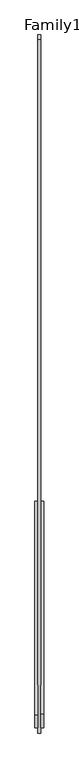
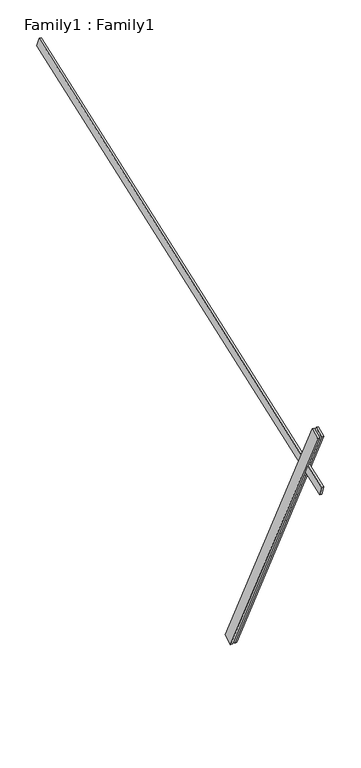
"""IFC4 building model written with IfcOpenShell, lengths in millimetres: proxy geometry, Family1 : Family1."""

from ifc_helpers import new_model, si_unit, frame, origin, place, context, project, spatial, polyline, outline, extrude, source, transform, mapped, element, save


def family1_family1_eeb59fa7(model_context):
    return source(origin(), model_context, "Body", "SweptSolid", [
        extrude(outline(polyline([(0.0, 0.0), (-100.0000001, 0.0), (-100.0000001, 20.0), (0.0, 20.0), (0.0, 0.0)])), frame((-30.0, -46.3241747, -22.5938096), z_axis=(0.0, -0.4383711467890692, 0.8987940462991711), x_axis=(0.0, -0.8987940462991711, -0.4383711467890692)), (0.0, 0.0, 1.0), 3300.0),
        extrude(outline(polyline([(0.0, 0.0), (-99.9999999, 0.0), (-99.9999999, 20.0), (0.0, 20.0), (0.0, 0.0)])), frame((10.0, -45.270232, -22.0797674), z_axis=(0.0, -0.4383711467890692, 0.8987940462991711), x_axis=(0.0, -0.8987940462991711, -0.4383711467890692)), (0.0, 0.0, 1.0), 3300.0),
        extrude(outline(polyline([(0.0, 20.0), (5000.0000001, 20.0), (5000.0000001, 0.0), (0.0, 0.0), (0.0, 20.0)])), frame((-10.0, 3204.584355, 4076.5390966), z_axis=(0.0, -0.34202014332567077, 0.9396926207859077), x_axis=(0.0, -0.9396926207859077, -0.34202014332567077)), (0.0, 0.0, 1.0), 100.0),
    ])


if __name__ == "__main__":
    model = new_model("IFC4")
    model_context = context("Model", 3, world=origin())
    ifc_project = project(units=[si_unit("LENGTHUNIT", "METRE", prefix="MILLI")], contexts=[model_context])
    site = spatial("IfcSite", under=ifc_project)
    building = spatial("IfcBuilding", under=site)
    placement = place(None, origin())
    family1_family1_shape = family1_family1_eeb59fa7(model_context)
    element("IfcBuildingElementProxy", 1, Name="Family1 : Family1", ObjectType="Family1 : Family1", at=placement, inside=building, context=model_context, shape_type="MappedRepresentation", body=[
        mapped(family1_family1_shape, transform((0.0, 0.0, 0.0), x_axis=(1.0, 0.0, 0.0), y_axis=(0.0, 1.0, 0.0), z_axis=(0.0, 0.0, 1.0))),
    ])
    save(model, "model.ifc")
